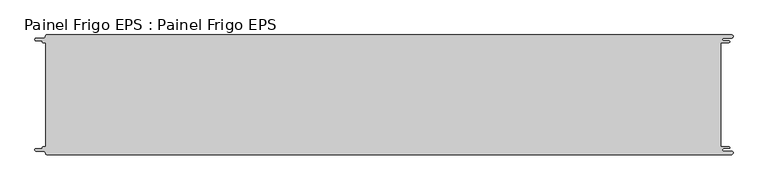
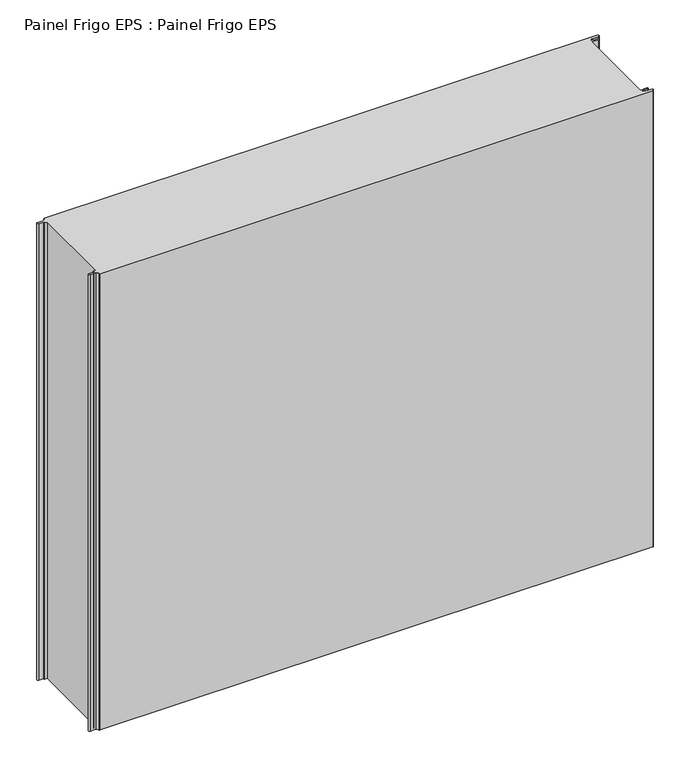
"""IFC4 building model written with IfcOpenShell, lengths in millimetres: proxy geometry, Painel Frigo EPS : Painel Frigo EPS."""

from ifc_helpers import new_model, si_unit, frame, origin, place, context, project, spatial, polyline, circle_curve, source, transform, mapped, element, save
from ifc_brep_helpers import plane_surface, cylinder_surface, revolved_surface, advanced_brep


def painel_frigo_eps_painel_frigo_eps_4956441e(model_context):
    return source(origin(), model_context, "Body", "AdvancedBrep", [
        advanced_brep(
        [(-579.5093748, 87.3, 1000.0), (-574.2218362, 87.3, 1000.0), (-574.2218362, -87.2999995, 1000.0), (-579.5093748, -87.2999995, 1000.0), (-580.1093753, -87.9, 1000.0), (-580.1093753, -88.7085185, 1000.0), (-581.5093753, -90.1085185, 1000.0), (-590.4875, -90.1085185, 1000.0), (-590.4875, -94.5085185, 1000.0), (-578.471875, -94.5085185, 1000.0), (-574.921875, -98.0585185, 1000.0), (-572.971875, -100.0, 1000.0), (572.284375, -100.0, 1000.0), (572.284375, -94.725, 1000.0), (559.378125, -94.725, 1000.0), (559.378125, -89.875, 1000.0), (568.0406253, -89.875, 1000.0), (568.0406253, -87.3, 1000.0), (554.1906253, -87.3, 1000.0), (554.1906253, 87.3, 1000.0), (568.0406253, 87.3, 1000.0), (568.0406253, 89.875, 1000.0), (559.378125, 89.875, 1000.0), (559.378125, 94.725, 1000.0), (572.284375, 94.725, 1000.0), (572.284375, 100.0, 1000.0), (-572.971875, 100.0, 1000.0), (-574.921875, 98.05, 1000.0), (-578.471875, 94.5085185, 1000.0), (-590.4875, 94.5085185, 1000.0), (-590.4875, 90.1085187, 1000.0), (-581.5093751, 90.1085187, 1000.0), (-580.1093748, 88.7085184, 1000.0), (-580.1093748, 87.9, 1000.0), (-579.5093748, 87.3, 0.0), (-580.1093748, 87.9, 0.0), (-580.1093748, 88.7085184, 0.0), (-581.5093751, 90.1085187, 0.0), (-590.4875, 90.1085187, 0.0), (-590.4875, 94.5085185, 0.0), (-578.471875, 94.5085185, 0.0), (-574.921875, 98.0585185, 0.0), (-572.971875, 100.0, 0.0), (572.284375, 100.0, 0.0), (572.284375, 94.725, 0.0), (559.378125, 94.725, 0.0), (559.378125, 89.875, 0.0), (568.0406253, 89.875, 0.0), (568.0406253, 87.3, 0.0), (554.1906253, 87.3, 0.0), (554.1906253, -87.3, 0.0), (568.0406253, -87.3, 0.0), (568.0406253, -89.875, 0.0), (559.378125, -89.875, 0.0), (559.378125, -94.725, 0.0), (572.284375, -94.725, 0.0), (572.284375, -100.0, 0.0), (-572.971875, -100.0, 0.0), (-574.921875, -98.05, 0.0), (-578.471875, -94.5085185, 0.0), (-590.4875, -94.5085185, 0.0), (-590.4875, -90.1085185, 0.0), (-581.5093753, -90.1085185, 0.0), (-580.1093753, -88.7085185, 0.0), (-580.1093753, -87.9, 0.0), (-579.5093748, -87.2999995, 0.0), (-574.2218362, -87.2999995, 0.0), (-574.2218362, 87.3, 0.0)],
        [
            (0, 1),
            (1, 2),
            (2, 3),
            (3, 4, circle_curve(frame((-579.5093748, -87.9, 1000.0), z_axis=(0.0, 0.0, 1.0), x_axis=(1.0, 0.0, 0.0)), 0.6000005)),
            (4, 5),
            (5, 6, circle_curve(frame((-581.5093753, -88.7085185, 1000.0), z_axis=(0.0, 0.0, -1.0), x_axis=(1.0, 0.0, 0.0)), 1.4)),
            (6, 7),
            (7, 8, circle_curve(frame((-590.4875, -92.3085185, 1000.0), z_axis=(0.0, 0.0, 1.0), x_axis=(1.0, 0.0, 0.0)), 2.2)),
            (8, 9),
            (9, 10, circle_curve(frame((-578.471875, -98.0585185, 1000.0), z_axis=(0.0, 0.0, -1.0), x_axis=(1.0, 0.0, 0.0)), 3.55)),
            (10, 11, circle_curve(frame((-572.971875, -98.05, 1000.0), z_axis=(0.0, 0.0, 1.0), x_axis=(1.0, 0.0, 0.0)), 1.95)),
            (11, 12),
            (12, 13, circle_curve(frame((572.284375, -97.3625, 1000.0), z_axis=(0.0, 0.0, 1.0), x_axis=(1.0, 0.0, 0.0)), 2.6375)),
            (13, 14),
            (14, 15, circle_curve(frame((559.378125, -92.3, 1000.0), z_axis=(0.0, 0.0, -1.0), x_axis=(1.0, 0.0, 0.0)), 2.425)),
            (15, 16),
            (16, 17, circle_curve(frame((568.0406253, -88.5875, 1000.0), z_axis=(0.0, 0.0, 1.0), x_axis=(1.0, 0.0, 0.0)), 1.2875)),
            (17, 18),
            (18, 19),
            (19, 20),
            (20, 21, circle_curve(frame((568.0406253, 88.5875, 1000.0), z_axis=(0.0, 0.0, 1.0), x_axis=(1.0, 0.0, 0.0)), 1.2875)),
            (21, 22),
            (22, 23, circle_curve(frame((559.378125, 92.3, 1000.0), z_axis=(0.0, 0.0, -1.0), x_axis=(1.0, 0.0, 0.0)), 2.425)),
            (23, 24),
            (24, 25, circle_curve(frame((572.284375, 97.3625, 1000.0), z_axis=(0.0, 0.0, 1.0), x_axis=(1.0, 0.0, 0.0)), 2.6375)),
            (25, 26),
            (26, 27, circle_curve(frame((-572.971875, 98.05, 1000.0), z_axis=(0.0, 0.0, 1.0), x_axis=(1.0, 0.0, 0.0)), 1.95)),
            (27, 28, circle_curve(frame((-578.471875, 98.0585185, 1000.0), z_axis=(0.0, 0.0, -1.0), x_axis=(1.0, 0.0, 0.0)), 3.55)),
            (28, 29),
            (29, 30, circle_curve(frame((-590.4875, 92.3085186, 1000.0), z_axis=(0.0, 0.0, 1.0), x_axis=(1.0, 0.0, 0.0)), 2.1999999)),
            (30, 31),
            (31, 32, circle_curve(frame((-581.5093751, 88.7085184, 1000.0), z_axis=(0.0, 0.0, -1.0), x_axis=(1.0, 0.0, 0.0)), 1.4000003)),
            (32, 33),
            (33, 0, circle_curve(frame((-579.5093748, 87.9, 1000.0), z_axis=(0.0, 0.0, 1.0), x_axis=(1.0, 0.0, 0.0)), 0.6)),
            (34, 35, circle_curve(frame((-579.5093748, 87.9, 0.0), z_axis=(0.0, 0.0, -1.0), x_axis=(1.0, 0.0, 0.0)), 0.6)),
            (35, 36),
            (36, 37, circle_curve(frame((-581.5093751, 88.7085184, 0.0), z_axis=(0.0, 0.0, 1.0), x_axis=(1.0, 0.0, 0.0)), 1.4000003)),
            (37, 38),
            (38, 39, circle_curve(frame((-590.4875, 92.3085186, 0.0), z_axis=(0.0, 0.0, -1.0), x_axis=(1.0, 0.0, 0.0)), 2.1999999)),
            (39, 40),
            (40, 41, circle_curve(frame((-578.471875, 98.0585185, 0.0), z_axis=(0.0, 0.0, 1.0), x_axis=(1.0, 0.0, 0.0)), 3.55)),
            (41, 42, circle_curve(frame((-572.971875, 98.05, 0.0), z_axis=(0.0, 0.0, -1.0), x_axis=(1.0, 0.0, 0.0)), 1.95)),
            (42, 43),
            (43, 44, circle_curve(frame((572.284375, 97.3625, 0.0), z_axis=(0.0, 0.0, -1.0), x_axis=(1.0, 0.0, 0.0)), 2.6375)),
            (44, 45),
            (45, 46, circle_curve(frame((559.378125, 92.3, 0.0), z_axis=(0.0, 0.0, 1.0), x_axis=(1.0, 0.0, 0.0)), 2.425)),
            (46, 47),
            (47, 48, circle_curve(frame((568.0406253, 88.5875, 0.0), z_axis=(0.0, 0.0, -1.0), x_axis=(1.0, 0.0, 0.0)), 1.2875)),
            (48, 49),
            (49, 50),
            (50, 51),
            (51, 52, circle_curve(frame((568.0406253, -88.5875, 0.0), z_axis=(0.0, 0.0, -1.0), x_axis=(1.0, 0.0, 0.0)), 1.2875)),
            (52, 53),
            (53, 54, circle_curve(frame((559.378125, -92.3, 0.0), z_axis=(0.0, 0.0, 1.0), x_axis=(1.0, 0.0, 0.0)), 2.425)),
            (54, 55),
            (55, 56, circle_curve(frame((572.284375, -97.3625, 0.0), z_axis=(0.0, 0.0, -1.0), x_axis=(1.0, 0.0, 0.0)), 2.6375)),
            (56, 57),
            (57, 58, circle_curve(frame((-572.971875, -98.05, 0.0), z_axis=(0.0, 0.0, -1.0), x_axis=(1.0, 0.0, 0.0)), 1.95)),
            (58, 59, circle_curve(frame((-578.471875, -98.0585185, 0.0), z_axis=(0.0, 0.0, 1.0), x_axis=(1.0, 0.0, 0.0)), 3.55)),
            (59, 60),
            (60, 61, circle_curve(frame((-590.4875, -92.3085185, 0.0), z_axis=(0.0, 0.0, -1.0), x_axis=(1.0, 0.0, 0.0)), 2.2)),
            (61, 62),
            (62, 63, circle_curve(frame((-581.5093753, -88.7085185, 0.0), z_axis=(0.0, 0.0, 1.0), x_axis=(1.0, 0.0, 0.0)), 1.4)),
            (63, 64),
            (64, 65, circle_curve(frame((-579.5093748, -87.9, 0.0), z_axis=(0.0, 0.0, -1.0), x_axis=(1.0, 0.0, 0.0)), 0.6000005)),
            (65, 66),
            (66, 67),
            (67, 34),
            (11, 57),
            (56, 12),
            (25, 43),
            (42, 26),
            (0, 34),
            (67, 1),
            (66, 2),
            (65, 3),
            (64, 4),
            (63, 5),
            (62, 6),
            (61, 7),
            (60, 8),
            (59, 9),
            (58, 10),
            (18, 50),
            (49, 19),
            (48, 20),
            (47, 21),
            (46, 22),
            (45, 23),
            (44, 24),
            (41, 27),
            (40, 28),
            (39, 29),
            (38, 30),
            (37, 31),
            (36, 32),
            (35, 33),
            (55, 13),
            (54, 14),
            (53, 15),
            (52, 16),
            (51, 17),
        ],
        [
            plane_surface(frame((-574.2218362, 87.3, 1000.0), z_axis=(0.0, 0.0, 1.0), x_axis=(1.0, 0.0, 0.0))),
            plane_surface(frame((-574.2218362, 87.3, 0.0), z_axis=(0.0, 0.0, -1.0), x_axis=(-1.0, 0.0, 0.0))),
            plane_surface(frame((-572.971875, -100.0, 1000.0), z_axis=(0.0, -1.0, 0.0), x_axis=(0.0, 0.0, -1.0))),
            plane_surface(frame((572.284375, 100.0, 1000.0), z_axis=(0.0, 1.0, 0.0), x_axis=(0.0, 0.0, -1.0))),
            plane_surface(frame((-579.5093748, 87.3, 1000.0), z_axis=(0.0, -1.0, 0.0), x_axis=(0.0, 0.0, -1.0))),
            plane_surface(frame((-574.2218362, 87.3, 1000.0), z_axis=(-1.0, 0.0, 0.0), x_axis=(0.0, 0.0, -1.0))),
            plane_surface(frame((-574.2218362, -87.2999995, 1000.0), z_axis=(0.0, 1.0, 0.0), x_axis=(0.0, 0.0, -1.0))),
            cylinder_surface(frame((-579.5093748, -87.9, 0.0), z_axis=(0.0, 0.0, 1.0), x_axis=(1.0, 0.0, 0.0)), 0.6000005),
            plane_surface(frame((-580.1093753, -87.9, 1000.0), z_axis=(-1.0, 1.757860866232952e-12, 0.0), x_axis=(0.0, 0.0, -1.0))),
            revolved_surface(polyline([(-580.1093753, -88.7085185, 0.0), (-580.1093753, -88.7085185, 1000.0)]), (-581.5093753, -88.7085185, 0.0), (0.0, 0.0, -1.0)),
            plane_surface(frame((-581.5093753, -90.1085185, 1000.0), z_axis=(0.0, 1.0, 0.0), x_axis=(0.0, 0.0, -1.0))),
            cylinder_surface(frame((-590.4875, -92.3085185, 0.0), z_axis=(0.0, 0.0, 1.0), x_axis=(1.0, 0.0, 0.0)), 2.2),
            plane_surface(frame((-590.4875, -94.5085185, 1000.0), z_axis=(0.0, -1.0, 0.0), x_axis=(0.0, 0.0, -1.0))),
            revolved_surface(polyline([(-574.921875, -98.0585185, 0.0), (-574.921875, -98.0585185, 1000.0)]), (-578.471875, -98.0585185, 0.0), (0.0, 0.0, -1.0)),
            cylinder_surface(frame((-572.971875, -98.05, 0.0), z_axis=(0.0, 0.0, 1.0), x_axis=(1.0, 0.0, 0.0)), 1.95),
            plane_surface(frame((554.1906253, -87.3, 1000.0), z_axis=(1.0, 0.0, 0.0), x_axis=(0.0, 0.0, -1.0))),
            plane_surface(frame((554.1906253, 87.3, 1000.0), z_axis=(0.0, -1.0, 0.0), x_axis=(0.0, 0.0, -1.0))),
            cylinder_surface(frame((568.0406253, 88.5875, 0.0), z_axis=(0.0, 0.0, 1.0), x_axis=(1.0, 0.0, 0.0)), 1.2875),
            plane_surface(frame((568.0406253, 89.875, 1000.0), z_axis=(0.0, 1.0, 0.0), x_axis=(0.0, 0.0, -1.0))),
            revolved_surface(polyline([(561.8031249999999, 92.3, 0.0), (561.8031249999999, 92.3, 1000.0)]), (559.378125, 92.3, 0.0), (0.0, 0.0, -1.0)),
            plane_surface(frame((559.378125, 94.725, 1000.0), z_axis=(0.0, -1.0, 0.0), x_axis=(0.0, 0.0, -1.0))),
            cylinder_surface(frame((572.284375, 97.3625, 0.0), z_axis=(0.0, 0.0, 1.0), x_axis=(1.0, 0.0, 0.0)), 2.6375),
            cylinder_surface(frame((-572.971875, 98.05, 0.0), z_axis=(0.0, 0.0, 1.0), x_axis=(1.0, 0.0, 0.0)), 1.95),
            revolved_surface(polyline([(-574.921875, 98.0585185, 0.0), (-574.921875, 98.0585185, 1000.0)]), (-578.471875, 98.0585185, 0.0), (0.0, 0.0, -1.0)),
            plane_surface(frame((-578.471875, 94.5085185, 1000.0), z_axis=(0.0, 1.0, 0.0), x_axis=(0.0, 0.0, -1.0))),
            cylinder_surface(frame((-590.4875, 92.3085186, 0.0), z_axis=(0.0, 0.0, 1.0), x_axis=(1.0, 0.0, 0.0)), 2.1999999),
            plane_surface(frame((-590.4875, 90.1085187, 1000.0), z_axis=(0.0, -1.0, 0.0), x_axis=(0.0, 0.0, -1.0))),
            revolved_surface(polyline([(-580.1093748000001, 88.7085184, 0.0), (-580.1093748000001, 88.7085184, 1000.0)]), (-581.5093751, 88.7085184, 0.0), (0.0, 0.0, -1.0)),
            plane_surface(frame((-580.1093748, 88.7085184, 1000.0), z_axis=(-1.0, 0.0, 0.0), x_axis=(0.0, 0.0, -1.0))),
            cylinder_surface(frame((-579.5093748, 87.9, 0.0), z_axis=(0.0, 0.0, 1.0), x_axis=(1.0, 0.0, 0.0)), 0.6),
            cylinder_surface(frame((572.284375, -97.3625, 0.0), z_axis=(0.0, 0.0, 1.0), x_axis=(1.0, 0.0, 0.0)), 2.6375),
            plane_surface(frame((572.284375, -94.725, 1000.0), z_axis=(0.0, 1.0, 0.0), x_axis=(0.0, 0.0, -1.0))),
            revolved_surface(polyline([(561.8031249999999, -92.3, 0.0), (561.8031249999999, -92.3, 1000.0)]), (559.378125, -92.3, 0.0), (0.0, 0.0, -1.0)),
            plane_surface(frame((559.378125, -89.875, 1000.0), z_axis=(0.0, -1.0, 0.0), x_axis=(0.0, 0.0, -1.0))),
            cylinder_surface(frame((568.0406253, -88.5875, 0.0), z_axis=(0.0, 0.0, 1.0), x_axis=(1.0, 0.0, 0.0)), 1.2875),
            plane_surface(frame((568.0406253, -87.3, 1000.0), z_axis=(0.0, 1.0, 0.0), x_axis=(0.0, 0.0, -1.0))),
        ],
        [
            (0, [[1, 2, 3, 4, 5, 6, 7, 8, 9, 10, 11, 12, 13, 14, 15, 16, 17, 18, 19, 20, 21, 22, 23, 24, 25, 26, 27, 28, 29, 30, 31, 32, 33, 34]]),
            (1, [[35, 36, 37, 38, 39, 40, 41, 42, 43, 44, 45, 46, 47, 48, 49, 50, 51, 52, 53, 54, 55, 56, 57, 58, 59, 60, 61, 62, 63, 64, 65, 66, 67, 68]]),
            (2, [[-12, 69, -57, 70]]),
            (3, [[-26, 71, -43, 72]]),
            (4, [[-1, 73, -68, 74]]),
            (5, [[-2, -74, -67, 75]]),
            (6, [[-3, -75, -66, 76]]),
            (7, [[-4, -76, -65, 77]]),
            (8, [[-5, -77, -64, 78]]),
            (9, [[-6, -78, -63, 79]]),
            (10, [[-7, -79, -62, 80]]),
            (11, [[-8, -80, -61, 81]]),
            (12, [[-9, -81, -60, 82]]),
            (13, [[-10, -82, -59, 83]]),
            (14, [[-11, -83, -58, -69]]),
            (15, [[-19, 84, -50, 85]]),
            (16, [[-20, -85, -49, 86]]),
            (17, [[-21, -86, -48, 87]]),
            (18, [[-22, -87, -47, 88]]),
            (19, [[-23, -88, -46, 89]]),
            (20, [[-24, -89, -45, 90]]),
            (21, [[-25, -90, -44, -71]]),
            (22, [[-27, -72, -42, 91]]),
            (23, [[-28, -91, -41, 92]]),
            (24, [[-29, -92, -40, 93]]),
            (25, [[-30, -93, -39, 94]]),
            (26, [[-31, -94, -38, 95]]),
            (27, [[-32, -95, -37, 96]]),
            (28, [[-33, -96, -36, 97]]),
            (29, [[-34, -97, -35, -73]]),
            (30, [[-13, -70, -56, 98]]),
            (31, [[-14, -98, -55, 99]]),
            (32, [[-15, -99, -54, 100]]),
            (33, [[-16, -100, -53, 101]]),
            (34, [[-17, -101, -52, 102]]),
            (35, [[-18, -102, -51, -84]]),
        ],
    ),
    ])


if __name__ == "__main__":
    model = new_model("IFC4")
    model_context = context("Model", 3, world=origin())
    ifc_project = project(units=[si_unit("LENGTHUNIT", "METRE", prefix="MILLI")], contexts=[model_context])
    site = spatial("IfcSite", under=ifc_project)
    building = spatial("IfcBuilding", under=site)
    placement = place(None, origin())
    painel_frigo_eps_painel_frigo_eps_shape = painel_frigo_eps_painel_frigo_eps_4956441e(model_context)
    element("IfcBuildingElementProxy", 1, Name="Painel Frigo EPS : Painel Frigo EPS", ObjectType="Painel Frigo EPS : Painel Frigo EPS", at=placement, inside=building, context=model_context, shape_type="MappedRepresentation", body=[
        mapped(painel_frigo_eps_painel_frigo_eps_shape, transform((0.0, 0.0, 0.0), x_axis=(1.0, 0.0, 0.0), y_axis=(0.0, 1.0, 0.0), z_axis=(0.0, 0.0, 1.0))),
    ])
    save(model, "model.ifc")
